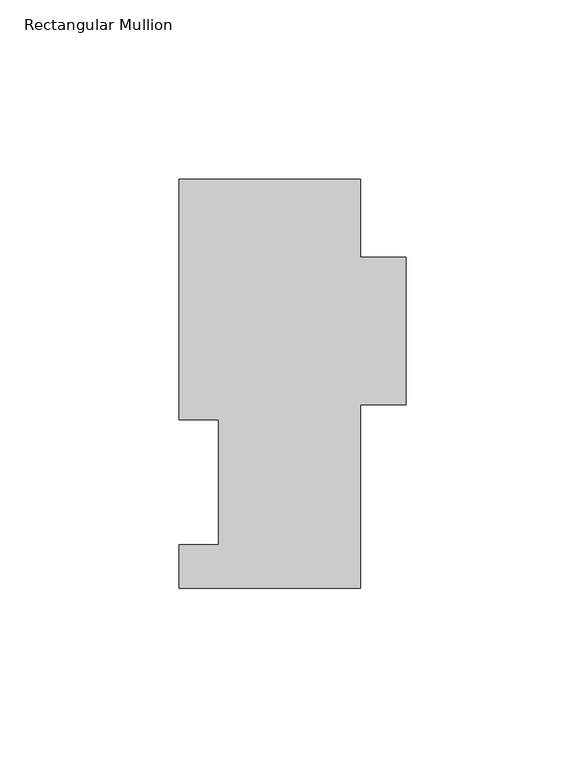
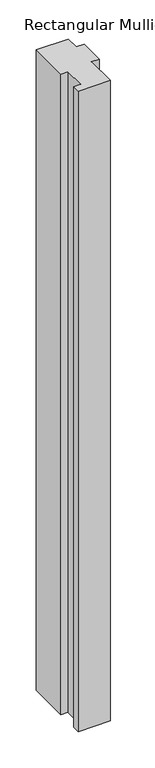
"""IFC4 building model written with IfcOpenShell, lengths in millimetres: member geometry, Rectangular Mullion."""

from ifc_helpers import new_model, si_unit, frame, origin, place, context, project, spatial, polyline, outline, extrude, source, transform, mapped, element, save


def rectangular_mullion_edcd6f7c(model_context):
    return source(origin(), model_context, "Body", "SweptSolid", [
        extrude(outline(polyline([(25.4, 114.252375), (25.4, 92.433775), (38.1, 92.433775), (38.1, 51.158775), (25.4, 51.158775), (25.4, -0.047625), (-25.4, -0.047625), (-25.4, 12.144375), (-14.2875, 12.144375), (-14.2875, 47.069375), (-25.4, 47.069375), (-25.4, 114.252375), (25.4, 114.252375)])), frame((0.0, 0.0, -1073.15), z_axis=(0.0, 0.0, 1.0), x_axis=(1.0, 0.0, 0.0)), (0.0, 0.0, 1.0), 1073.15),
    ])


if __name__ == "__main__":
    model = new_model("IFC4")
    model_context = context("Model", 3, world=origin())
    ifc_project = project(units=[si_unit("LENGTHUNIT", "METRE", prefix="MILLI")], contexts=[model_context])
    site = spatial("IfcSite", under=ifc_project)
    building = spatial("IfcBuilding", under=site)
    placement = place(None, origin())
    rectangular_mullion_shape = rectangular_mullion_edcd6f7c(model_context)
    element("IfcMember", 1, ObjectType="Rectangular Mullion", at=placement, inside=building, context=model_context, shape_type="MappedRepresentation", body=[
        mapped(rectangular_mullion_shape, transform((0.0, 0.0, 0.0), x_axis=(1.0, 0.0, 0.0), y_axis=(0.0, 1.0, 0.0), z_axis=(0.0, 0.0, 1.0))),
    ])
    save(model, "model.ifc")
